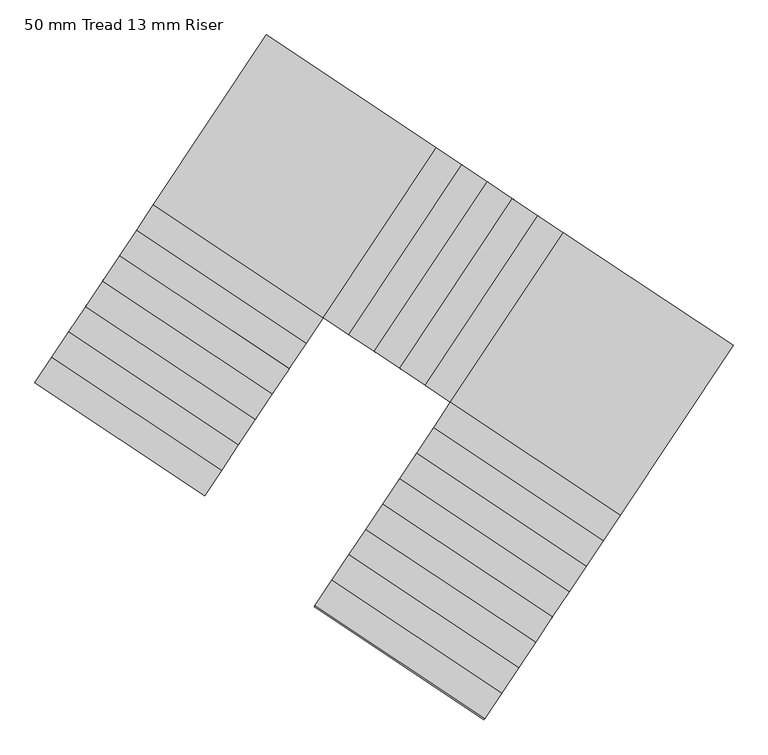
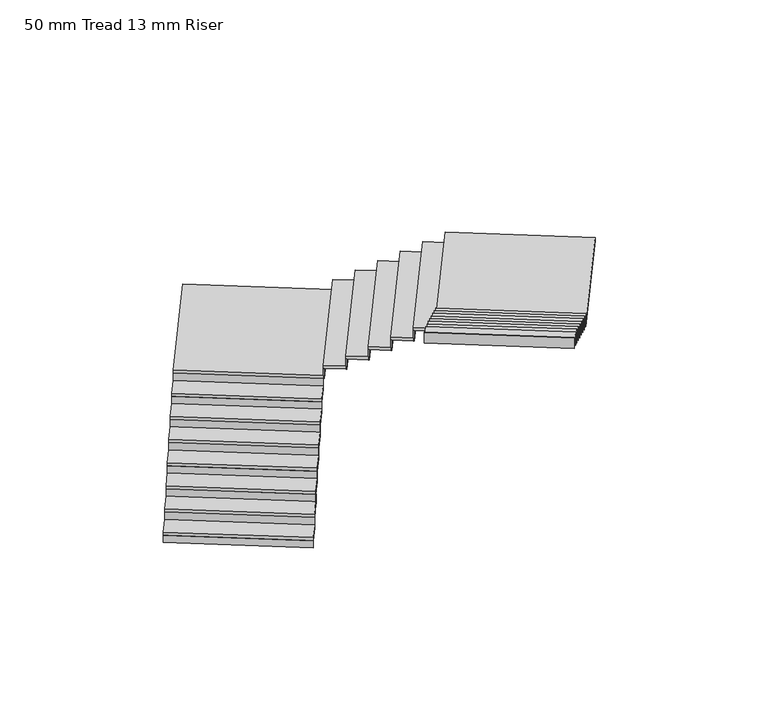
"""IFC4 building model written with IfcOpenShell, lengths in millimetres: stair flight geometry, 50 mm Tread 13 mm Riser."""

from ifc_helpers import new_model, si_unit, frame, origin, place, context, project, spatial, polyline, outline, extrude, source, transform, mapped, element, save


def stair_flight_50_mm_tread_13_mm_riser_2108a568(model_context):
    return source(origin(), model_context, "Body", "SweptSolid", [
        extrude(outline(polyline([(-240424.517887, 66996.0655594), (-240431.4416342, 66985.6582675), (-242096.6083378, 68093.4578203), (-242089.6845906, 68103.8651122), (-240424.517887, 66996.0655594)])), frame((0.0, 0.0, 4680.0), z_axis=(0.0, 0.0, 1.0), x_axis=(1.0, 0.0, 0.0)), (0.0, 0.0, 1.0), 116.6666667),
        extrude(outline(polyline([(-241930.4384049, 68343.2328258), (-240265.2717013, 67235.4332731), (-240431.4416342, 66985.6582675), (-242096.6083378, 68093.4578203), (-241930.4384049, 68343.2328258)])), frame((0.0, 0.0, 4796.6666667), z_axis=(0.0, 0.0, 1.0), x_axis=(1.0, 0.0, 0.0)), (0.0, 0.0, 1.0), 50.0),
        extrude(outline(polyline([(-240258.3479541, 67245.840565), (-240265.2717013, 67235.4332731), (-241930.4384049, 68343.2328258), (-241923.5146577, 68353.6401177), (-240258.3479541, 67245.840565)])), frame((0.0, 0.0, 4796.6666667), z_axis=(0.0, 0.0, 1.0), x_axis=(1.0, 0.0, 0.0)), (0.0, 0.0, 1.0), 166.6666667),
        extrude(outline(polyline([(-241764.268472, 68593.0078314), (-240099.1017684, 67485.2082786), (-240265.2717013, 67235.4332731), (-241930.4384049, 68343.2328258), (-241764.268472, 68593.0078314)])), frame((0.0, 0.0, 4963.3333333), z_axis=(0.0, 0.0, 1.0), x_axis=(1.0, 0.0, 0.0)), (0.0, 0.0, 1.0), 50.0),
        extrude(outline(polyline([(-240092.1780212, 67495.6155705), (-240099.1017684, 67485.2082786), (-241764.268472, 68593.0078314), (-241757.3447248, 68603.4151233), (-240092.1780212, 67495.6155705)])), frame((0.0, 0.0, 4963.3333333), z_axis=(0.0, 0.0, 1.0), x_axis=(1.0, 0.0, 0.0)), (0.0, 0.0, 1.0), 166.6666667),
        extrude(outline(polyline([(-241598.0985391, 68842.7828369), (-239932.9318355, 67734.9832842), (-240099.1017684, 67485.2082786), (-241764.268472, 68593.0078314), (-241598.0985391, 68842.7828369)])), frame((0.0, 0.0, 5130.0), z_axis=(0.0, 0.0, 1.0), x_axis=(1.0, 0.0, 0.0)), (0.0, 0.0, 1.0), 50.0),
        extrude(outline(polyline([(-239926.0080883, 67745.3905761), (-239932.9318355, 67734.9832842), (-241598.0985391, 68842.7828369), (-241591.1747919, 68853.1901288), (-239926.0080883, 67745.3905761)])), frame((0.0, 0.0, 5130.0), z_axis=(0.0, 0.0, 1.0), x_axis=(1.0, 0.0, 0.0)), (0.0, 0.0, 1.0), 166.6666667),
        extrude(outline(polyline([(-241431.9286062, 69092.5578425), (-239766.7619025, 67984.7582897), (-239932.9318355, 67734.9832842), (-241598.0985391, 68842.7828369), (-241431.9286062, 69092.5578425)])), frame((0.0, 0.0, 5296.6666667), z_axis=(0.0, 0.0, 1.0), x_axis=(1.0, 0.0, 0.0)), (0.0, 0.0, 1.0), 50.0),
        extrude(outline(polyline([(-239759.8381553, 67995.1655816), (-239766.7619025, 67984.7582897), (-241431.9286062, 69092.5578425), (-241425.004859, 69102.9651344), (-239759.8381553, 67995.1655816)])), frame((0.0, 0.0, 5296.6666667), z_axis=(0.0, 0.0, 1.0), x_axis=(1.0, 0.0, 0.0)), (0.0, 0.0, 1.0), 166.6666667),
        extrude(outline(polyline([(-241265.7586733, 69342.332848), (-239600.5919696, 68234.5332953), (-239766.7619025, 67984.7582897), (-241431.9286062, 69092.5578425), (-241265.7586733, 69342.332848)])), frame((0.0, 0.0, 5463.3333333), z_axis=(0.0, 0.0, 1.0), x_axis=(1.0, 0.0, 0.0)), (0.0, 0.0, 1.0), 50.0),
        extrude(outline(polyline([(-239593.6682224, 68244.9405872), (-239600.5919696, 68234.5332953), (-241265.7586733, 69342.332848), (-241258.8349261, 69352.7401399), (-239593.6682224, 68244.9405872)])), frame((0.0, 0.0, 5463.3333333), z_axis=(0.0, 0.0, 1.0), x_axis=(1.0, 0.0, 0.0)), (0.0, 0.0, 1.0), 166.6666667),
        extrude(outline(polyline([(-241099.5887404, 69592.1078536), (-239434.4220367, 68484.3083008), (-239600.5919696, 68234.5332953), (-241265.7586733, 69342.332848), (-241099.5887404, 69592.1078536)])), frame((0.0, 0.0, 5630.0), z_axis=(0.0, 0.0, 1.0), x_axis=(1.0, 0.0, 0.0)), (0.0, 0.0, 1.0), 50.0),
        extrude(outline(polyline([(-239427.4982895, 68494.7155927), (-239434.4220367, 68484.3083008), (-241099.5887404, 69592.1078536), (-241092.6649932, 69602.5151455), (-239427.4982895, 68494.7155927)])), frame((0.0, 0.0, 5630.0), z_axis=(0.0, 0.0, 1.0), x_axis=(1.0, 0.0, 0.0)), (0.0, 0.0, 1.0), 166.6666667),
        extrude(outline(polyline([(-240933.4188075, 69841.8828591), (-239268.2521038, 68734.0833064), (-239434.4220367, 68484.3083008), (-241099.5887404, 69592.1078536), (-240933.4188075, 69841.8828591)])), frame((0.0, 0.0, 5796.6666667), z_axis=(0.0, 0.0, 1.0), x_axis=(1.0, 0.0, 0.0)), (0.0, 0.0, 1.0), 50.0),
        extrude(outline(polyline([(-239261.3283566, 68744.4905983), (-239268.2521038, 68734.0833064), (-240933.4188075, 69841.8828591), (-240926.4950603, 69852.290151), (-239261.3283566, 68744.4905983)])), frame((0.0, 0.0, 5796.6666667), z_axis=(0.0, 0.0, 1.0), x_axis=(1.0, 0.0, 0.0)), (0.0, 0.0, 1.0), 166.6666667),
        extrude(outline(polyline([(-238160.4525511, 70399.25001), (-239268.2521038, 68734.0833064), (-240933.4188075, 69841.8828591), (-239825.6192547, 71507.0495628), (-238160.4525511, 70399.25001)])), frame((0.0, 0.0, 5963.3333333), z_axis=(0.0, 0.0, 1.0), x_axis=(1.0, 0.0, 0.0)), (0.0, 0.0, 1.0), 50.0),
        extrude(outline(polyline([(-239257.8448119, 68727.1595592), (-239268.2521038, 68734.0833064), (-238160.4525511, 70399.25001), (-238150.0452592, 70392.3262628), (-239257.8448119, 68727.1595592)])), frame((0.0, 0.0, 5963.3333333), z_axis=(0.0, 0.0, 1.0), x_axis=(1.0, 0.0, 0.0)), (0.0, 0.0, 1.0), 166.6666667),
        extrude(outline(polyline([(-237910.6775455, 70233.0800771), (-239018.4770983, 68567.9133735), (-239268.2521038, 68734.0833064), (-238160.4525511, 70399.25001), (-237910.6775455, 70233.0800771)])), frame((0.0, 0.0, 6130.0), z_axis=(0.0, 0.0, 1.0), x_axis=(1.0, 0.0, 0.0)), (0.0, 0.0, 1.0), 50.0),
        extrude(outline(polyline([(-239008.0698064, 68560.9896263), (-239018.4770983, 68567.9133735), (-237910.6775455, 70233.0800771), (-237900.2702536, 70226.1563299), (-239008.0698064, 68560.9896263)])), frame((0.0, 0.0, 6130.0), z_axis=(0.0, 0.0, 1.0), x_axis=(1.0, 0.0, 0.0)), (0.0, 0.0, 1.0), 166.6666667),
        extrude(outline(polyline([(-237660.90254, 70066.9101442), (-238768.7020927, 68401.7434406), (-239018.4770983, 68567.9133735), (-237910.6775455, 70233.0800771), (-237660.90254, 70066.9101442)])), frame((0.0, 0.0, 6296.6666667), z_axis=(0.0, 0.0, 1.0), x_axis=(1.0, 0.0, 0.0)), (0.0, 0.0, 1.0), 50.0),
        extrude(outline(polyline([(-238758.2948008, 68394.8196934), (-238768.7020927, 68401.7434406), (-237660.90254, 70066.9101442), (-237650.4952481, 70059.986397), (-238758.2948008, 68394.8196934)])), frame((0.0, 0.0, 6296.6666667), z_axis=(0.0, 0.0, 1.0), x_axis=(1.0, 0.0, 0.0)), (0.0, 0.0, 1.0), 166.6666667),
        extrude(outline(polyline([(-237411.1275344, 69900.7402113), (-238518.9270872, 68235.5735076), (-238768.7020927, 68401.7434406), (-237660.90254, 70066.9101442), (-237411.1275344, 69900.7402113)])), frame((0.0, 0.0, 6463.3333333), z_axis=(0.0, 0.0, 1.0), x_axis=(1.0, 0.0, 0.0)), (0.0, 0.0, 1.0), 50.0),
        extrude(outline(polyline([(-238508.5197953, 68228.6497604), (-238518.9270872, 68235.5735076), (-237411.1275344, 69900.7402113), (-237400.7202425, 69893.8164641), (-238508.5197953, 68228.6497604)])), frame((0.0, 0.0, 6463.3333333), z_axis=(0.0, 0.0, 1.0), x_axis=(1.0, 0.0, 0.0)), (0.0, 0.0, 1.0), 166.6666667),
        extrude(outline(polyline([(-237161.3525289, 69734.5702784), (-238269.1520816, 68069.4035747), (-238518.9270872, 68235.5735076), (-237411.1275344, 69900.7402113), (-237161.3525289, 69734.5702784)])), frame((0.0, 0.0, 6630.0), z_axis=(0.0, 0.0, 1.0), x_axis=(1.0, 0.0, 0.0)), (0.0, 0.0, 1.0), 50.0),
        extrude(outline(polyline([(-238258.7447897, 68062.4798275), (-238269.1520816, 68069.4035747), (-237161.3525289, 69734.5702784), (-237150.945237, 69727.6465312), (-238258.7447897, 68062.4798275)])), frame((0.0, 0.0, 6630.0), z_axis=(0.0, 0.0, 1.0), x_axis=(1.0, 0.0, 0.0)), (0.0, 0.0, 1.0), 166.6666667),
        extrude(outline(polyline([(-236911.5775233, 69568.4003455), (-238019.3770761, 67903.2336418), (-238269.1520816, 68069.4035747), (-237161.3525289, 69734.5702784), (-236911.5775233, 69568.4003455)])), frame((0.0, 0.0, 6796.6666667), z_axis=(0.0, 0.0, 1.0), x_axis=(1.0, 0.0, 0.0)), (0.0, 0.0, 1.0), 50.0),
        extrude(outline(polyline([(-238008.9697842, 67896.3098946), (-238019.3770761, 67903.2336418), (-236911.5775233, 69568.4003455), (-236901.1702314, 69561.4765983), (-238008.9697842, 67896.3098946)])), frame((0.0, 0.0, 6796.6666667), z_axis=(0.0, 0.0, 1.0), x_axis=(1.0, 0.0, 0.0)), (0.0, 0.0, 1.0), 166.6666667),
        extrude(outline(polyline([(-236354.2103724, 66795.4340891), (-238019.3770761, 67903.2336418), (-236911.5775233, 69568.4003455), (-235246.4108197, 68460.6007927), (-236354.2103724, 66795.4340891)])), frame((0.0, 0.0, 6963.3333333), z_axis=(0.0, 0.0, 1.0), x_axis=(1.0, 0.0, 0.0)), (0.0, 0.0, 1.0), 50.0),
        extrude(outline(polyline([(-238026.3008233, 67892.8263499), (-238019.3770761, 67903.2336418), (-236354.2103724, 66795.4340891), (-236361.1341196, 66785.0267972), (-238026.3008233, 67892.8263499)])), frame((0.0, 0.0, 6963.3333333), z_axis=(0.0, 0.0, 1.0), x_axis=(1.0, 0.0, 0.0)), (0.0, 0.0, 1.0), 166.6666667),
        extrude(outline(polyline([(-236520.3803053, 66545.6590835), (-238185.547009, 67653.4586363), (-238019.3770761, 67903.2336418), (-236354.2103724, 66795.4340891), (-236520.3803053, 66545.6590835)])), frame((0.0, 0.0, 7130.0), z_axis=(0.0, 0.0, 1.0), x_axis=(1.0, 0.0, 0.0)), (0.0, 0.0, 1.0), 50.0),
        extrude(outline(polyline([(-238192.4707562, 67643.0513444), (-238185.547009, 67653.4586363), (-236520.3803053, 66545.6590835), (-236527.3040525, 66535.2517916), (-238192.4707562, 67643.0513444)])), frame((0.0, 0.0, 7130.0), z_axis=(0.0, 0.0, 1.0), x_axis=(1.0, 0.0, 0.0)), (0.0, 0.0, 1.0), 166.6666667),
        extrude(outline(polyline([(-236686.5502382, 66295.884078), (-238351.7169419, 67403.6836307), (-238185.547009, 67653.4586363), (-236520.3803053, 66545.6590835), (-236686.5502382, 66295.884078)])), frame((0.0, 0.0, 7296.6666667), z_axis=(0.0, 0.0, 1.0), x_axis=(1.0, 0.0, 0.0)), (0.0, 0.0, 1.0), 50.0),
        extrude(outline(polyline([(-238358.6406891, 67393.2763388), (-238351.7169419, 67403.6836307), (-236686.5502382, 66295.884078), (-236693.4739854, 66285.4767861), (-238358.6406891, 67393.2763388)])), frame((0.0, 0.0, 7296.6666667), z_axis=(0.0, 0.0, 1.0), x_axis=(1.0, 0.0, 0.0)), (0.0, 0.0, 1.0), 166.6666667),
        extrude(outline(polyline([(-236852.7201712, 66046.1090724), (-238517.8868748, 67153.9086252), (-238351.7169419, 67403.6836307), (-236686.5502382, 66295.884078), (-236852.7201712, 66046.1090724)])), frame((0.0, 0.0, 7463.3333333), z_axis=(0.0, 0.0, 1.0), x_axis=(1.0, 0.0, 0.0)), (0.0, 0.0, 1.0), 50.0),
        extrude(outline(polyline([(-238524.810622, 67143.5013333), (-238517.8868748, 67153.9086252), (-236852.7201712, 66046.1090724), (-236859.6439184, 66035.7017805), (-238524.810622, 67143.5013333)])), frame((0.0, 0.0, 7463.3333333), z_axis=(0.0, 0.0, 1.0), x_axis=(1.0, 0.0, 0.0)), (0.0, 0.0, 1.0), 166.6666667),
        extrude(outline(polyline([(-237018.8901041, 65796.3340669), (-238684.0568077, 66904.1336196), (-238517.8868748, 67153.9086252), (-236852.7201712, 66046.1090724), (-237018.8901041, 65796.3340669)])), frame((0.0, 0.0, 7630.0), z_axis=(0.0, 0.0, 1.0), x_axis=(1.0, 0.0, 0.0)), (0.0, 0.0, 1.0), 50.0),
        extrude(outline(polyline([(-238690.9805549, 66893.7263277), (-238684.0568077, 66904.1336196), (-237018.8901041, 65796.3340669), (-237025.8138513, 65785.926775), (-238690.9805549, 66893.7263277)])), frame((0.0, 0.0, 7630.0), z_axis=(0.0, 0.0, 1.0), x_axis=(1.0, 0.0, 0.0)), (0.0, 0.0, 1.0), 166.6666667),
        extrude(outline(polyline([(-237185.060037, 65546.5590614), (-238850.2267406, 66654.3586141), (-238684.0568077, 66904.1336196), (-237018.8901041, 65796.3340669), (-237185.060037, 65546.5590614)])), frame((0.0, 0.0, 7796.6666667), z_axis=(0.0, 0.0, 1.0), x_axis=(1.0, 0.0, 0.0)), (0.0, 0.0, 1.0), 50.0),
        extrude(outline(polyline([(-238857.1504878, 66643.9513222), (-238850.2267406, 66654.3586141), (-237185.060037, 65546.5590613), (-237191.9837842, 65536.1517694), (-238857.1504878, 66643.9513222)])), frame((0.0, 0.0, 7796.6666667), z_axis=(0.0, 0.0, 1.0), x_axis=(1.0, 0.0, 0.0)), (0.0, 0.0, 1.0), 166.6666667),
        extrude(outline(polyline([(-237351.2299699, 65296.7840558), (-239016.3966735, 66404.5836085), (-238850.2267406, 66654.3586141), (-237185.060037, 65546.5590613), (-237351.2299699, 65296.7840558)])), frame((0.0, 0.0, 7963.3333333), z_axis=(0.0, 0.0, 1.0), x_axis=(1.0, 0.0, 0.0)), (0.0, 0.0, 1.0), 50.0),
        extrude(outline(polyline([(-239023.3204207, 66394.1763166), (-239016.3966735, 66404.5836085), (-237351.2299699, 65296.7840558), (-237358.1537171, 65286.3767639), (-239023.3204207, 66394.1763166)])), frame((0.0, 0.0, 7963.3333333), z_axis=(0.0, 0.0, 1.0), x_axis=(1.0, 0.0, 0.0)), (0.0, 0.0, 1.0), 166.6666667),
        extrude(outline(polyline([(-237517.3999028, 65047.0090503), (-239182.5666064, 66154.808603), (-239016.3966735, 66404.5836085), (-237351.2299699, 65296.7840558), (-237517.3999028, 65047.0090503)])), frame((0.0, 0.0, 8130.0), z_axis=(0.0, 0.0, 1.0), x_axis=(1.0, 0.0, 0.0)), (0.0, 0.0, 1.0), 50.0),
        extrude(outline(polyline([(-239189.4903537, 66144.4013111), (-239182.5666064, 66154.808603), (-237517.3999028, 65047.0090502), (-237524.32365, 65036.6017584), (-239189.4903537, 66144.4013111)])), frame((0.0, 0.0, 8130.0), z_axis=(0.0, 0.0, 1.0), x_axis=(1.0, 0.0, 0.0)), (0.0, 0.0, 1.0), 166.6666667),
        extrude(outline(polyline([(-239355.6602866, 65894.6263055), (-239348.7365394, 65905.0335974), (-237683.5698357, 64797.2340447), (-237690.4935829, 64786.8267528), (-239355.6602866, 65894.6263055)])), frame((0.0, 0.0, 8296.6666667), z_axis=(0.0, 0.0, 1.0), x_axis=(1.0, 0.0, 0.0)), (0.0, 0.0, 1.0), 166.6666667),
        extrude(outline(polyline([(-237683.5698357, 64797.2340447), (-239348.7365394, 65905.0335974), (-239182.5666064, 66154.808603), (-237517.3999028, 65047.0090502), (-237683.5698357, 64797.2340447)])), frame((0.0, 0.0, 8296.6666667), z_axis=(0.0, 0.0, 1.0), x_axis=(1.0, 0.0, 0.0)), (0.0, 0.0, 1.0), 50.0),
    ])


if __name__ == "__main__":
    model = new_model("IFC4")
    model_context = context("Model", 3, world=origin())
    ifc_project = project(units=[si_unit("LENGTHUNIT", "METRE", prefix="MILLI")], contexts=[model_context])
    site = spatial("IfcSite", under=ifc_project)
    building = spatial("IfcBuilding", under=site)
    placement = place(None, origin())
    stair_flight_50_mm_tread_13_mm_riser_shape = stair_flight_50_mm_tread_13_mm_riser_2108a568(model_context)
    element("IfcStairFlight", 1, ObjectType="50 mm Tread 13 mm Riser", at=placement, inside=building, context=model_context, shape_type="MappedRepresentation", body=[
        mapped(stair_flight_50_mm_tread_13_mm_riser_shape, transform((0.0, 0.0, 0.0), x_axis=(1.0, 0.0, 0.0), y_axis=(0.0, 1.0, 0.0), z_axis=(0.0, 0.0, 1.0))),
    ])
    save(model, "model.ifc")
